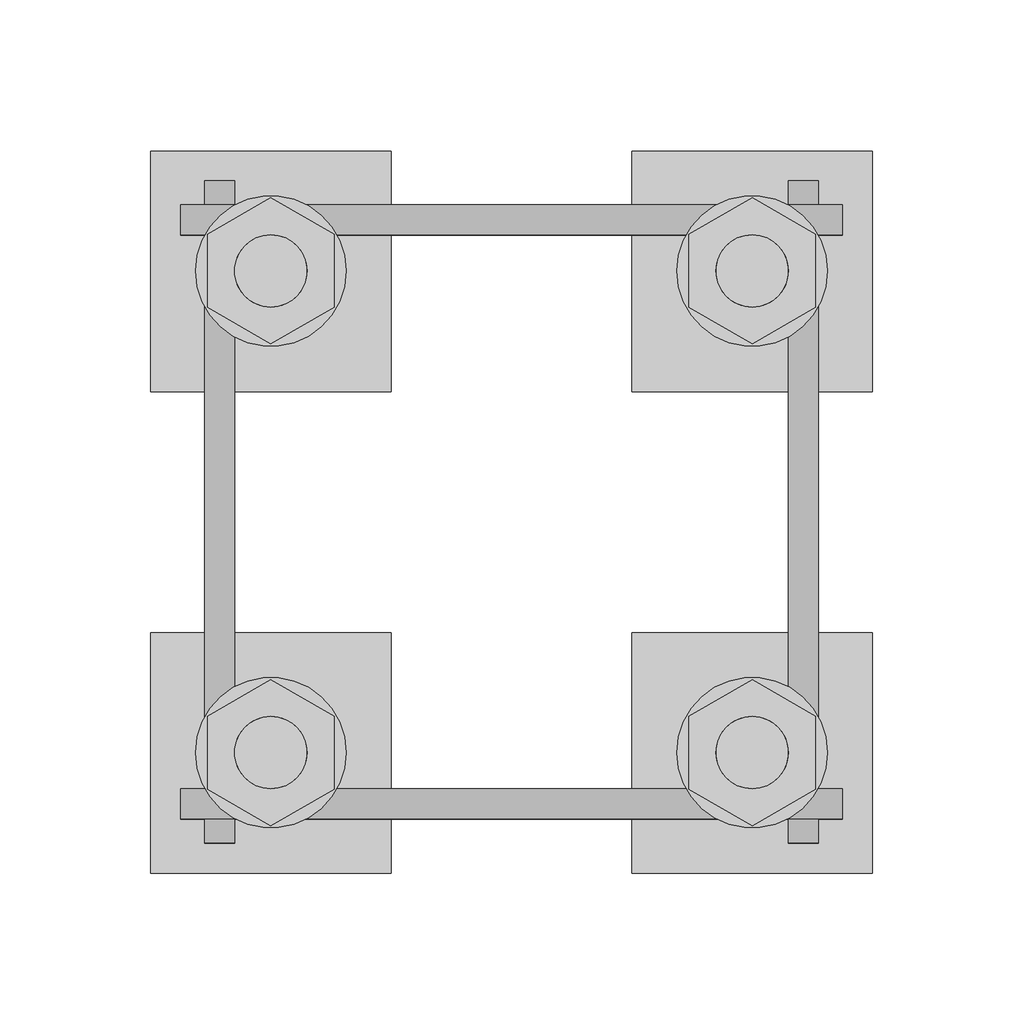
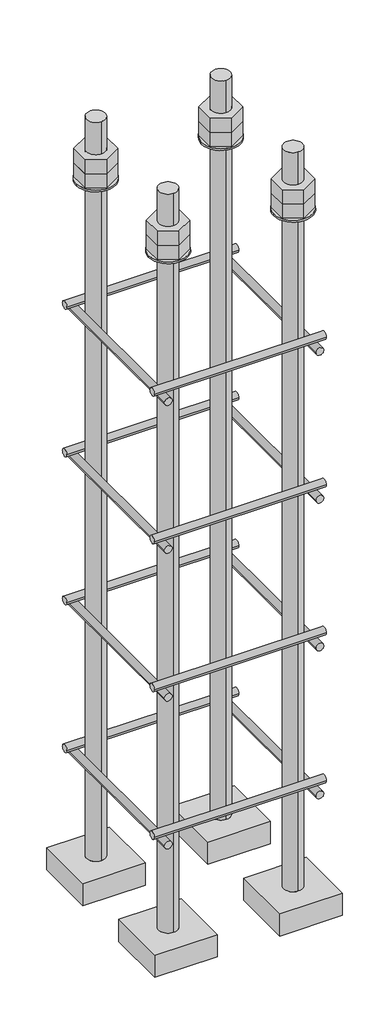
# One storey, part 25 of 66: 1 fastener.
"""IFC4 building model written with IfcOpenShell, lengths in millimetres."""

from ifc_helpers import new_model, si_unit, point, frame, frame_2d, origin, place, context, project, spatial, polyline, circle_curve, trimmed, segment, composite_curve, outline, extrude, element, save
from ifc_brep_helpers import plane_surface, cylinder_surface, advanced_brep

model = new_model("IFC4")

# Units and contexts
model_context = context("Model", 3, world=origin())
ifc_project = project(units=[si_unit("LENGTHUNIT", "METRE", prefix="MILLI")], contexts=[model_context])

# Site, building, storey
site = spatial("IfcSite", under=ifc_project)
building = spatial("IfcBuilding", under=site)
storey = spatial("IfcBuildingStorey", under=building, Elevation=9070.0)

# Fastener
placement = place(None, origin())
element("IfcFastener", 1, ObjectType="AU1 : AU-01", at=placement, inside=storey, context=model_context, shape_type="SolidModel", body=[
    extrude(outline(composite_curve([segment(trimmed(circle_curve(frame_2d((14703.0, 8795.0)), 5.0), [point((14698.0, 8795.0))], [point((14708.0, 8795.0))], False, "CARTESIAN"), True, "CONTINUOUS"), segment(trimmed(circle_curve(frame_2d((14703.0, 8795.0)), 5.0), [point((14708.0, 8795.0))], [point((14698.0, 8795.0))], False, "CARTESIAN"), True, "CONTINUOUS")], self_intersect=False)), frame((56740.0, 0.0, 0.0), z_axis=(1.0, 0.0, 0.0), x_axis=(0.0, 1.0, 0.0)), (0.0, 0.0, 1.0), 220.0),
    extrude(outline(composite_curve([segment(trimmed(circle_curve(frame_2d((14897.0, 8795.0)), 5.0), [point((14902.0, 8795.0))], [point((14892.0, 8795.0))], False, "CARTESIAN"), True, "CONTINUOUS"), segment(trimmed(circle_curve(frame_2d((14897.0, 8795.0)), 5.0), [point((14892.0, 8795.0))], [point((14902.0, 8795.0))], False, "CARTESIAN"), True, "CONTINUOUS")], self_intersect=False)), frame((56740.0, 0.0, 0.0), z_axis=(1.0, 0.0, 0.0), x_axis=(0.0, 1.0, 0.0)), (0.0, 0.0, 1.0), 220.0),
    extrude(outline(composite_curve([segment(trimmed(circle_curve(frame_2d((8785.0, 56753.0)), 5.0), [point((8785.0, 56748.0))], [point((8785.0, 56758.0))], False, "CARTESIAN"), True, "CONTINUOUS"), segment(trimmed(circle_curve(frame_2d((8785.0, 56753.0)), 5.0), [point((8785.0, 56758.0))], [point((8785.0, 56748.0))], False, "CARTESIAN"), True, "CONTINUOUS")], self_intersect=False)), frame((0.0, 14690.0, 0.0), z_axis=(0.0, 1.0, 0.0), x_axis=(0.0, 0.0, 1.0)), (0.0, 0.0, 1.0), 220.0),
    extrude(outline(composite_curve([segment(trimmed(circle_curve(frame_2d((8785.0, 56947.0)), 5.0), [point((8785.0, 56952.0))], [point((8785.0, 56942.0))], False, "CARTESIAN"), True, "CONTINUOUS"), segment(trimmed(circle_curve(frame_2d((8785.0, 56947.0)), 5.0), [point((8785.0, 56942.0))], [point((8785.0, 56952.0))], False, "CARTESIAN"), True, "CONTINUOUS")], self_intersect=False)), frame((0.0, 14690.0, 0.0), z_axis=(0.0, 1.0, 0.0), x_axis=(0.0, 0.0, 1.0)), (0.0, 0.0, 1.0), 220.0),
    extrude(outline(composite_curve([segment(trimmed(circle_curve(frame_2d((14703.0, 8995.0)), 5.0), [point((14698.0, 8995.0))], [point((14708.0, 8995.0))], False, "CARTESIAN"), True, "CONTINUOUS"), segment(trimmed(circle_curve(frame_2d((14703.0, 8995.0)), 5.0), [point((14708.0, 8995.0))], [point((14698.0, 8995.0))], False, "CARTESIAN"), True, "CONTINUOUS")], self_intersect=False)), frame((56740.0, 0.0, 0.0), z_axis=(1.0, 0.0, 0.0), x_axis=(0.0, 1.0, 0.0)), (0.0, 0.0, 1.0), 220.0),
    extrude(outline(composite_curve([segment(trimmed(circle_curve(frame_2d((14897.0, 8995.0)), 5.0), [point((14902.0, 8995.0))], [point((14892.0, 8995.0))], False, "CARTESIAN"), True, "CONTINUOUS"), segment(trimmed(circle_curve(frame_2d((14897.0, 8995.0)), 5.0), [point((14892.0, 8995.0))], [point((14902.0, 8995.0))], False, "CARTESIAN"), True, "CONTINUOUS")], self_intersect=False)), frame((56740.0, 0.0, 0.0), z_axis=(1.0, 0.0, 0.0), x_axis=(0.0, 1.0, 0.0)), (0.0, 0.0, 1.0), 220.0),
    extrude(outline(composite_curve([segment(trimmed(circle_curve(frame_2d((8985.0, 56753.0)), 5.0), [point((8985.0, 56748.0))], [point((8985.0, 56758.0))], False, "CARTESIAN"), True, "CONTINUOUS"), segment(trimmed(circle_curve(frame_2d((8985.0, 56753.0)), 5.0), [point((8985.0, 56758.0))], [point((8985.0, 56748.0))], False, "CARTESIAN"), True, "CONTINUOUS")], self_intersect=False)), frame((0.0, 14690.0, 0.0), z_axis=(0.0, 1.0, 0.0), x_axis=(0.0, 0.0, 1.0)), (0.0, 0.0, 1.0), 220.0),
    extrude(outline(composite_curve([segment(trimmed(circle_curve(frame_2d((8985.0, 56947.0)), 5.0), [point((8985.0, 56952.0))], [point((8985.0, 56942.0))], False, "CARTESIAN"), True, "CONTINUOUS"), segment(trimmed(circle_curve(frame_2d((8985.0, 56947.0)), 5.0), [point((8985.0, 56942.0))], [point((8985.0, 56952.0))], False, "CARTESIAN"), True, "CONTINUOUS")], self_intersect=False)), frame((0.0, 14690.0, 0.0), z_axis=(0.0, 1.0, 0.0), x_axis=(0.0, 0.0, 1.0)), (0.0, 0.0, 1.0), 220.0),
    extrude(outline(composite_curve([segment(trimmed(circle_curve(frame_2d((14703.0, 9195.0)), 5.0), [point((14698.0, 9195.0))], [point((14708.0, 9195.0))], False, "CARTESIAN"), True, "CONTINUOUS"), segment(trimmed(circle_curve(frame_2d((14703.0, 9195.0)), 5.0), [point((14708.0, 9195.0))], [point((14698.0, 9195.0))], False, "CARTESIAN"), True, "CONTINUOUS")], self_intersect=False)), frame((56740.0, 0.0, 0.0), z_axis=(1.0, 0.0, 0.0), x_axis=(0.0, 1.0, 0.0)), (0.0, 0.0, 1.0), 220.0),
    extrude(outline(composite_curve([segment(trimmed(circle_curve(frame_2d((14897.0, 9195.0)), 5.0), [point((14902.0, 9195.0))], [point((14892.0, 9195.0))], False, "CARTESIAN"), True, "CONTINUOUS"), segment(trimmed(circle_curve(frame_2d((14897.0, 9195.0)), 5.0), [point((14892.0, 9195.0))], [point((14902.0, 9195.0))], False, "CARTESIAN"), True, "CONTINUOUS")], self_intersect=False)), frame((56740.0, 0.0, 0.0), z_axis=(1.0, 0.0, 0.0), x_axis=(0.0, 1.0, 0.0)), (0.0, 0.0, 1.0), 220.0),
    extrude(outline(composite_curve([segment(trimmed(circle_curve(frame_2d((9185.0, 56753.0)), 5.0), [point((9185.0, 56748.0))], [point((9185.0, 56758.0))], False, "CARTESIAN"), True, "CONTINUOUS"), segment(trimmed(circle_curve(frame_2d((9185.0, 56753.0)), 5.0), [point((9185.0, 56758.0))], [point((9185.0, 56748.0))], False, "CARTESIAN"), True, "CONTINUOUS")], self_intersect=False)), frame((0.0, 14690.0, 0.0), z_axis=(0.0, 1.0, 0.0), x_axis=(0.0, 0.0, 1.0)), (0.0, 0.0, 1.0), 220.0),
    extrude(outline(composite_curve([segment(trimmed(circle_curve(frame_2d((9185.0, 56947.0)), 5.0), [point((9185.0, 56952.0))], [point((9185.0, 56942.0))], False, "CARTESIAN"), True, "CONTINUOUS"), segment(trimmed(circle_curve(frame_2d((9185.0, 56947.0)), 5.0), [point((9185.0, 56942.0))], [point((9185.0, 56952.0))], False, "CARTESIAN"), True, "CONTINUOUS")], self_intersect=False)), frame((0.0, 14690.0, 0.0), z_axis=(0.0, 1.0, 0.0), x_axis=(0.0, 0.0, 1.0)), (0.0, 0.0, 1.0), 220.0),
    extrude(outline(composite_curve([segment(trimmed(circle_curve(frame_2d((14703.0, 9395.0)), 5.0), [point((14698.0, 9395.0))], [point((14708.0, 9395.0))], False, "CARTESIAN"), True, "CONTINUOUS"), segment(trimmed(circle_curve(frame_2d((14703.0, 9395.0)), 5.0), [point((14708.0, 9395.0))], [point((14698.0, 9395.0))], False, "CARTESIAN"), True, "CONTINUOUS")], self_intersect=False)), frame((56740.0, 0.0, 0.0), z_axis=(1.0, 0.0, 0.0), x_axis=(0.0, 1.0, 0.0)), (0.0, 0.0, 1.0), 220.0),
    extrude(outline(composite_curve([segment(trimmed(circle_curve(frame_2d((14897.0, 9395.0)), 5.0), [point((14902.0, 9395.0))], [point((14892.0, 9395.0))], False, "CARTESIAN"), True, "CONTINUOUS"), segment(trimmed(circle_curve(frame_2d((14897.0, 9395.0)), 5.0), [point((14892.0, 9395.0))], [point((14902.0, 9395.0))], False, "CARTESIAN"), True, "CONTINUOUS")], self_intersect=False)), frame((56740.0, 0.0, 0.0), z_axis=(1.0, 0.0, 0.0), x_axis=(0.0, 1.0, 0.0)), (0.0, 0.0, 1.0), 220.0),
    extrude(outline(composite_curve([segment(trimmed(circle_curve(frame_2d((9385.0, 56753.0)), 5.0), [point((9385.0, 56748.0))], [point((9385.0, 56758.0))], False, "CARTESIAN"), True, "CONTINUOUS"), segment(trimmed(circle_curve(frame_2d((9385.0, 56753.0)), 5.0), [point((9385.0, 56758.0))], [point((9385.0, 56748.0))], False, "CARTESIAN"), True, "CONTINUOUS")], self_intersect=False)), frame((0.0, 14690.0, 0.0), z_axis=(0.0, 1.0, 0.0), x_axis=(0.0, 0.0, 1.0)), (0.0, 0.0, 1.0), 220.0),
    extrude(outline(composite_curve([segment(trimmed(circle_curve(frame_2d((9385.0, 56947.0)), 5.0), [point((9385.0, 56952.0))], [point((9385.0, 56942.0))], False, "CARTESIAN"), True, "CONTINUOUS"), segment(trimmed(circle_curve(frame_2d((9385.0, 56947.0)), 5.0), [point((9385.0, 56942.0))], [point((9385.0, 56952.0))], False, "CARTESIAN"), True, "CONTINUOUS")], self_intersect=False)), frame((0.0, 14690.0, 0.0), z_axis=(0.0, 1.0, 0.0), x_axis=(0.0, 0.0, 1.0)), (0.0, 0.0, 1.0), 220.0),
    advanced_brep(
    [(56810.0, 14920.0, 8650.0), (56730.0, 14920.0, 8650.0), (56730.0, 14840.0, 8650.0), (56810.0, 14840.0, 8650.0), (56770.0, 14868.0, 8650.0), (56770.0, 14892.0, 8650.0), (56810.0, 14920.0, 8620.0), (56810.0, 14840.0, 8620.0), (56730.0, 14840.0, 8620.0), (56730.0, 14920.0, 8620.0), (56770.0, 14892.0, 9650.0), (56770.0, 14868.0, 9650.0)],
    [
        (0, 1),
        (1, 2),
        (2, 3),
        (3, 0),
        (4, 5, circle_curve(frame((56770.0, 14880.0, 8650.0), z_axis=(0.0, 0.0, -1.0), x_axis=(0.0, -1.0, 0.0)), 12.0)),
        (5, 4, circle_curve(frame((56770.0, 14880.0, 8650.0), z_axis=(0.0, 0.0, -1.0), x_axis=(0.0, -1.0, 0.0)), 12.0)),
        (6, 7),
        (7, 8),
        (8, 9),
        (9, 6),
        (0, 6),
        (9, 1),
        (8, 2),
        (7, 3),
        (10, 11, circle_curve(frame((56770.0, 14880.0, 9650.0), z_axis=(0.0, 0.0, 1.0), x_axis=(0.0, -1.0, 0.0)), 12.0)),
        (11, 10, circle_curve(frame((56770.0, 14880.0, 9650.0), z_axis=(0.0, 0.0, 1.0), x_axis=(0.0, -1.0, 0.0)), 12.0)),
        (10, 5),
        (4, 11),
    ],
    [
        plane_surface(frame((56730.0, 14920.0, 8650.0), z_axis=(0.0, 0.0, 1.0), x_axis=(-1.0, 0.0, 0.0))),
        plane_surface(frame((56730.0, 14920.0, 8620.0), z_axis=(0.0, 0.0, -1.0), x_axis=(1.0, 0.0, 0.0))),
        plane_surface(frame((56810.0, 14920.0, 8650.0), z_axis=(0.0, 1.0, 0.0), x_axis=(0.0, 0.0, -1.0))),
        plane_surface(frame((56730.0, 14920.0, 8650.0), z_axis=(-1.0, 0.0, 0.0), x_axis=(0.0, 0.0, -1.0))),
        plane_surface(frame((56730.0, 14840.0, 8650.0), z_axis=(0.0, -1.0, 0.0), x_axis=(0.0, 0.0, -1.0))),
        plane_surface(frame((56810.0, 14840.0, 8650.0), z_axis=(1.0, 0.0, 0.0), x_axis=(0.0, 0.0, -1.0))),
        plane_surface(frame((56770.0, 14880.0, 9650.0), z_axis=(0.0, 0.0, 1.0), x_axis=(0.0, -1.0, 0.0))),
        cylinder_surface(frame((56770.0, 14880.0, 9650.0), z_axis=(0.0, 0.0, 1.0), x_axis=(0.0, -1.0, 0.0)), 12.0),
    ],
    [
        (0, [[1, 2, 3, 4], [5, 6]]),
        (1, [[7, 8, 9, 10]]),
        (2, [[-1, 11, -10, 12]]),
        (3, [[-2, -12, -9, 13]]),
        (4, [[-3, -13, -8, 14]]),
        (5, [[-4, -14, -7, -11]]),
        (6, [[15, 16]]),
        (7, [[-15, 17, -5, 18]]),
        (7, [[-16, -18, -6, -17]]),
    ],
),
    extrude(outline(composite_curve([segment(trimmed(circle_curve(frame_2d((56770.0, 14880.0)), 25.0), [point((56795.0, 14880.0))], [point((56745.0, 14880.0))], False, "CARTESIAN"), True, "CONTINUOUS"), segment(trimmed(circle_curve(frame_2d((56770.0, 14880.0)), 25.0), [point((56745.0, 14880.0))], [point((56795.0, 14880.0))], False, "CARTESIAN"), True, "CONTINUOUS")], self_intersect=False), holes=[composite_curve([segment(trimmed(circle_curve(frame_2d((56770.0, 14880.0)), 12.0), [point((56782.0, 14880.0))], [point((56758.0, 14880.0))], True, "CARTESIAN"), True, "CONTINUOUS"), segment(trimmed(circle_curve(frame_2d((56770.0, 14880.0)), 12.0), [point((56758.0, 14880.0))], [point((56782.0, 14880.0))], True, "CARTESIAN"), True, "CONTINUOUS")], self_intersect=False)]), frame((0.0, 0.0, 9565.0), z_axis=(0.0, 0.0, 1.0), x_axis=(1.0, 0.0, 0.0)), (0.0, 0.0, 1.0), 2.5),
    extrude(outline(polyline([(56770.0, 14904.2487113), (56791.0, 14892.1243557), (56791.0, 14867.8756443), (56770.0, 14855.7512887), (56749.0, 14867.8756443), (56749.0, 14892.1243557), (56770.0, 14904.2487113)]), holes=[composite_curve([segment(trimmed(circle_curve(frame_2d((56770.0, 14880.0)), 12.0), [point((56782.0, 14880.0))], [point((56758.0, 14880.0))], True, "CARTESIAN"), True, "CONTINUOUS"), segment(trimmed(circle_curve(frame_2d((56770.0, 14880.0)), 12.0), [point((56758.0, 14880.0))], [point((56782.0, 14880.0))], True, "CARTESIAN"), True, "CONTINUOUS")], self_intersect=False)]), frame((0.0, 0.0, 9587.0), z_axis=(0.0, 0.0, 1.0), x_axis=(1.0, 0.0, 0.0)), (0.0, 0.0, 1.0), 19.5),
    extrude(outline(polyline([(56770.0, 14904.2487113), (56791.0, 14892.1243557), (56791.0, 14867.8756443), (56770.0, 14855.7512887), (56749.0, 14867.8756443), (56749.0, 14892.1243557), (56770.0, 14904.2487113)]), holes=[composite_curve([segment(trimmed(circle_curve(frame_2d((56770.0, 14880.0)), 12.0), [point((56782.0, 14880.0))], [point((56758.0, 14880.0))], True, "CARTESIAN"), True, "CONTINUOUS"), segment(trimmed(circle_curve(frame_2d((56770.0, 14880.0)), 12.0), [point((56758.0, 14880.0))], [point((56782.0, 14880.0))], True, "CARTESIAN"), True, "CONTINUOUS")], self_intersect=False)]), frame((0.0, 0.0, 9567.5), z_axis=(0.0, 0.0, 1.0), x_axis=(1.0, 0.0, 0.0)), (0.0, 0.0, 1.0), 19.5),
    advanced_brep(
    [(56890.0, 14840.0, 8650.0), (56970.0, 14840.0, 8650.0), (56970.0, 14920.0, 8650.0), (56890.0, 14920.0, 8650.0), (56930.0, 14892.0, 8650.0), (56930.0, 14868.0, 8650.0), (56890.0, 14840.0, 8620.0), (56890.0, 14920.0, 8620.0), (56970.0, 14920.0, 8620.0), (56970.0, 14840.0, 8620.0), (56930.0, 14868.0, 9650.0), (56930.0, 14892.0, 9650.0)],
    [
        (0, 1),
        (1, 2),
        (2, 3),
        (3, 0),
        (4, 5, circle_curve(frame((56930.0, 14880.0, 8650.0), z_axis=(0.0, 0.0, -1.0), x_axis=(0.0, 1.0, 0.0)), 12.0)),
        (5, 4, circle_curve(frame((56930.0, 14880.0, 8650.0), z_axis=(0.0, 0.0, -1.0), x_axis=(0.0, 1.0, 0.0)), 12.0)),
        (6, 7),
        (7, 8),
        (8, 9),
        (9, 6),
        (0, 6),
        (9, 1),
        (8, 2),
        (7, 3),
        (10, 11, circle_curve(frame((56930.0, 14880.0, 9650.0), z_axis=(0.0, 0.0, 1.0), x_axis=(0.0, 1.0, 0.0)), 12.0)),
        (11, 10, circle_curve(frame((56930.0, 14880.0, 9650.0), z_axis=(0.0, 0.0, 1.0), x_axis=(0.0, 1.0, 0.0)), 12.0)),
        (10, 5),
        (4, 11),
    ],
    [
        plane_surface(frame((56970.0, 14840.0, 8650.0), z_axis=(0.0, 0.0, 1.0), x_axis=(1.0, 0.0, 0.0))),
        plane_surface(frame((56970.0, 14840.0, 8620.0), z_axis=(0.0, 0.0, -1.0), x_axis=(-1.0, 0.0, 0.0))),
        plane_surface(frame((56890.0, 14840.0, 8650.0), z_axis=(0.0, -1.0, 0.0), x_axis=(0.0, 0.0, -1.0))),
        plane_surface(frame((56970.0, 14840.0, 8650.0), z_axis=(1.0, 0.0, 0.0), x_axis=(0.0, 0.0, -1.0))),
        plane_surface(frame((56970.0, 14920.0, 8650.0), z_axis=(0.0, 1.0, 0.0), x_axis=(0.0, 0.0, -1.0))),
        plane_surface(frame((56890.0, 14920.0, 8650.0), z_axis=(-1.0, 0.0, 0.0), x_axis=(0.0, 0.0, -1.0))),
        plane_surface(frame((56930.0, 14880.0, 9650.0), z_axis=(0.0, 0.0, 1.0), x_axis=(0.0, 1.0, 0.0))),
        cylinder_surface(frame((56930.0, 14880.0, 9650.0), z_axis=(0.0, 0.0, 1.0), x_axis=(0.0, 1.0, 0.0)), 12.0),
    ],
    [
        (0, [[1, 2, 3, 4], [5, 6]]),
        (1, [[7, 8, 9, 10]]),
        (2, [[-1, 11, -10, 12]]),
        (3, [[-2, -12, -9, 13]]),
        (4, [[-3, -13, -8, 14]]),
        (5, [[-4, -14, -7, -11]]),
        (6, [[15, 16]]),
        (7, [[-15, 17, -5, 18]]),
        (7, [[-16, -18, -6, -17]]),
    ],
),
    extrude(outline(composite_curve([segment(trimmed(circle_curve(frame_2d((56930.0, 14880.0)), 25.0), [point((56905.0, 14880.0))], [point((56955.0, 14880.0))], False, "CARTESIAN"), True, "CONTINUOUS"), segment(trimmed(circle_curve(frame_2d((56930.0, 14880.0)), 25.0), [point((56955.0, 14880.0))], [point((56905.0, 14880.0))], False, "CARTESIAN"), True, "CONTINUOUS")], self_intersect=False), holes=[composite_curve([segment(trimmed(circle_curve(frame_2d((56930.0, 14880.0)), 12.0), [point((56918.0, 14880.0))], [point((56942.0, 14880.0))], True, "CARTESIAN"), True, "CONTINUOUS"), segment(trimmed(circle_curve(frame_2d((56930.0, 14880.0)), 12.0), [point((56942.0, 14880.0))], [point((56918.0, 14880.0))], True, "CARTESIAN"), True, "CONTINUOUS")], self_intersect=False)]), frame((0.0, 0.0, 9565.0), z_axis=(0.0, 0.0, 1.0), x_axis=(1.0, 0.0, 0.0)), (0.0, 0.0, 1.0), 2.5),
    extrude(outline(polyline([(56930.0, 14855.7512887), (56909.0, 14867.8756443), (56909.0, 14892.1243557), (56930.0, 14904.2487113), (56951.0, 14892.1243557), (56951.0, 14867.8756443), (56930.0, 14855.7512887)]), holes=[composite_curve([segment(trimmed(circle_curve(frame_2d((56930.0, 14880.0)), 12.0), [point((56918.0, 14880.0))], [point((56942.0, 14880.0))], True, "CARTESIAN"), True, "CONTINUOUS"), segment(trimmed(circle_curve(frame_2d((56930.0, 14880.0)), 12.0), [point((56942.0, 14880.0))], [point((56918.0, 14880.0))], True, "CARTESIAN"), True, "CONTINUOUS")], self_intersect=False)]), frame((0.0, 0.0, 9587.0), z_axis=(0.0, 0.0, 1.0), x_axis=(1.0, 0.0, 0.0)), (0.0, 0.0, 1.0), 19.5),
    extrude(outline(polyline([(56930.0, 14855.7512887), (56909.0, 14867.8756443), (56909.0, 14892.1243557), (56930.0, 14904.2487113), (56951.0, 14892.1243557), (56951.0, 14867.8756443), (56930.0, 14855.7512887)]), holes=[composite_curve([segment(trimmed(circle_curve(frame_2d((56930.0, 14880.0)), 12.0), [point((56918.0, 14880.0))], [point((56942.0, 14880.0))], True, "CARTESIAN"), True, "CONTINUOUS"), segment(trimmed(circle_curve(frame_2d((56930.0, 14880.0)), 12.0), [point((56942.0, 14880.0))], [point((56918.0, 14880.0))], True, "CARTESIAN"), True, "CONTINUOUS")], self_intersect=False)]), frame((0.0, 0.0, 9567.5), z_axis=(0.0, 0.0, 1.0), x_axis=(1.0, 0.0, 0.0)), (0.0, 0.0, 1.0), 19.5),
    advanced_brep(
    [(56890.0, 14680.0, 8650.0), (56970.0, 14680.0, 8650.0), (56970.0, 14760.0, 8650.0), (56890.0, 14760.0, 8650.0), (56930.0, 14732.0, 8650.0), (56930.0, 14708.0, 8650.0), (56890.0, 14680.0, 8620.0), (56890.0, 14760.0, 8620.0), (56970.0, 14760.0, 8620.0), (56970.0, 14680.0, 8620.0), (56930.0, 14708.0, 9650.0), (56930.0, 14732.0, 9650.0)],
    [
        (0, 1),
        (1, 2),
        (2, 3),
        (3, 0),
        (4, 5, circle_curve(frame((56930.0, 14720.0, 8650.0), z_axis=(0.0, 0.0, -1.0), x_axis=(0.0, 1.0, 0.0)), 12.0)),
        (5, 4, circle_curve(frame((56930.0, 14720.0, 8650.0), z_axis=(0.0, 0.0, -1.0), x_axis=(0.0, 1.0, 0.0)), 12.0)),
        (6, 7),
        (7, 8),
        (8, 9),
        (9, 6),
        (0, 6),
        (9, 1),
        (8, 2),
        (7, 3),
        (10, 11, circle_curve(frame((56930.0, 14720.0, 9650.0), z_axis=(0.0, 0.0, 1.0), x_axis=(0.0, 1.0, 0.0)), 12.0)),
        (11, 10, circle_curve(frame((56930.0, 14720.0, 9650.0), z_axis=(0.0, 0.0, 1.0), x_axis=(0.0, 1.0, 0.0)), 12.0)),
        (10, 5),
        (4, 11),
    ],
    [
        plane_surface(frame((56970.0, 14680.0, 8650.0), z_axis=(0.0, 0.0, 1.0), x_axis=(1.0, 0.0, 0.0))),
        plane_surface(frame((56970.0, 14680.0, 8620.0), z_axis=(0.0, 0.0, -1.0), x_axis=(-1.0, 0.0, 0.0))),
        plane_surface(frame((56890.0, 14680.0, 8650.0), z_axis=(0.0, -1.0, 0.0), x_axis=(0.0, 0.0, -1.0))),
        plane_surface(frame((56970.0, 14680.0, 8650.0), z_axis=(1.0, 0.0, 0.0), x_axis=(0.0, 0.0, -1.0))),
        plane_surface(frame((56970.0, 14760.0, 8650.0), z_axis=(0.0, 1.0, 0.0), x_axis=(0.0, 0.0, -1.0))),
        plane_surface(frame((56890.0, 14760.0, 8650.0), z_axis=(-1.0, 0.0, 0.0), x_axis=(0.0, 0.0, -1.0))),
        plane_surface(frame((56930.0, 14720.0, 9650.0), z_axis=(0.0, 0.0, 1.0), x_axis=(0.0, 1.0, 0.0))),
        cylinder_surface(frame((56930.0, 14720.0, 9650.0), z_axis=(0.0, 0.0, 1.0), x_axis=(0.0, 1.0, 0.0)), 12.0),
    ],
    [
        (0, [[1, 2, 3, 4], [5, 6]]),
        (1, [[7, 8, 9, 10]]),
        (2, [[-1, 11, -10, 12]]),
        (3, [[-2, -12, -9, 13]]),
        (4, [[-3, -13, -8, 14]]),
        (5, [[-4, -14, -7, -11]]),
        (6, [[15, 16]]),
        (7, [[-15, 17, -5, 18]]),
        (7, [[-16, -18, -6, -17]]),
    ],
),
    extrude(outline(composite_curve([segment(trimmed(circle_curve(frame_2d((56930.0, 14720.0)), 25.0), [point((56905.0, 14720.0))], [point((56955.0, 14720.0))], False, "CARTESIAN"), True, "CONTINUOUS"), segment(trimmed(circle_curve(frame_2d((56930.0, 14720.0)), 25.0), [point((56955.0, 14720.0))], [point((56905.0, 14720.0))], False, "CARTESIAN"), True, "CONTINUOUS")], self_intersect=False), holes=[composite_curve([segment(trimmed(circle_curve(frame_2d((56930.0, 14720.0)), 12.0), [point((56918.0, 14720.0))], [point((56942.0, 14720.0))], True, "CARTESIAN"), True, "CONTINUOUS"), segment(trimmed(circle_curve(frame_2d((56930.0, 14720.0)), 12.0), [point((56942.0, 14720.0))], [point((56918.0, 14720.0))], True, "CARTESIAN"), True, "CONTINUOUS")], self_intersect=False)]), frame((0.0, 0.0, 9565.0), z_axis=(0.0, 0.0, 1.0), x_axis=(1.0, 0.0, 0.0)), (0.0, 0.0, 1.0), 2.5),
    extrude(outline(polyline([(56930.0, 14695.7512887), (56909.0, 14707.8756443), (56909.0, 14732.1243557), (56930.0, 14744.2487113), (56951.0, 14732.1243557), (56951.0, 14707.8756443), (56930.0, 14695.7512887)]), holes=[composite_curve([segment(trimmed(circle_curve(frame_2d((56930.0, 14720.0)), 12.0), [point((56918.0, 14720.0))], [point((56942.0, 14720.0))], True, "CARTESIAN"), True, "CONTINUOUS"), segment(trimmed(circle_curve(frame_2d((56930.0, 14720.0)), 12.0), [point((56942.0, 14720.0))], [point((56918.0, 14720.0))], True, "CARTESIAN"), True, "CONTINUOUS")], self_intersect=False)]), frame((0.0, 0.0, 9587.0), z_axis=(0.0, 0.0, 1.0), x_axis=(1.0, 0.0, 0.0)), (0.0, 0.0, 1.0), 19.5),
    extrude(outline(polyline([(56930.0, 14695.7512887), (56909.0, 14707.8756443), (56909.0, 14732.1243557), (56930.0, 14744.2487113), (56951.0, 14732.1243557), (56951.0, 14707.8756443), (56930.0, 14695.7512887)]), holes=[composite_curve([segment(trimmed(circle_curve(frame_2d((56930.0, 14720.0)), 12.0), [point((56918.0, 14720.0))], [point((56942.0, 14720.0))], True, "CARTESIAN"), True, "CONTINUOUS"), segment(trimmed(circle_curve(frame_2d((56930.0, 14720.0)), 12.0), [point((56942.0, 14720.0))], [point((56918.0, 14720.0))], True, "CARTESIAN"), True, "CONTINUOUS")], self_intersect=False)]), frame((0.0, 0.0, 9567.5), z_axis=(0.0, 0.0, 1.0), x_axis=(1.0, 0.0, 0.0)), (0.0, 0.0, 1.0), 19.5),
    advanced_brep(
    [(56810.0, 14760.0, 8650.0), (56730.0, 14760.0, 8650.0), (56730.0, 14680.0, 8650.0), (56810.0, 14680.0, 8650.0), (56770.0, 14708.0, 8650.0), (56770.0, 14732.0, 8650.0), (56810.0, 14760.0, 8620.0), (56810.0, 14680.0, 8620.0), (56730.0, 14680.0, 8620.0), (56730.0, 14760.0, 8620.0), (56770.0, 14732.0, 9650.0), (56770.0, 14708.0, 9650.0)],
    [
        (0, 1),
        (1, 2),
        (2, 3),
        (3, 0),
        (4, 5, circle_curve(frame((56770.0, 14720.0, 8650.0), z_axis=(0.0, 0.0, -1.0), x_axis=(0.0, -1.0, 0.0)), 12.0)),
        (5, 4, circle_curve(frame((56770.0, 14720.0, 8650.0), z_axis=(0.0, 0.0, -1.0), x_axis=(0.0, -1.0, 0.0)), 12.0)),
        (6, 7),
        (7, 8),
        (8, 9),
        (9, 6),
        (0, 6),
        (9, 1),
        (8, 2),
        (7, 3),
        (10, 11, circle_curve(frame((56770.0, 14720.0, 9650.0), z_axis=(0.0, 0.0, 1.0), x_axis=(0.0, -1.0, 0.0)), 12.0)),
        (11, 10, circle_curve(frame((56770.0, 14720.0, 9650.0), z_axis=(0.0, 0.0, 1.0), x_axis=(0.0, -1.0, 0.0)), 12.0)),
        (10, 5),
        (4, 11),
    ],
    [
        plane_surface(frame((56730.0, 14760.0, 8650.0), z_axis=(0.0, 0.0, 1.0), x_axis=(-1.0, 0.0, 0.0))),
        plane_surface(frame((56730.0, 14760.0, 8620.0), z_axis=(0.0, 0.0, -1.0), x_axis=(1.0, 0.0, 0.0))),
        plane_surface(frame((56810.0, 14760.0, 8650.0), z_axis=(0.0, 1.0, 0.0), x_axis=(0.0, 0.0, -1.0))),
        plane_surface(frame((56730.0, 14760.0, 8650.0), z_axis=(-1.0, 0.0, 0.0), x_axis=(0.0, 0.0, -1.0))),
        plane_surface(frame((56730.0, 14680.0, 8650.0), z_axis=(0.0, -1.0, 0.0), x_axis=(0.0, 0.0, -1.0))),
        plane_surface(frame((56810.0, 14680.0, 8650.0), z_axis=(1.0, 0.0, 0.0), x_axis=(0.0, 0.0, -1.0))),
        plane_surface(frame((56770.0, 14720.0, 9650.0), z_axis=(0.0, 0.0, 1.0), x_axis=(0.0, -1.0, 0.0))),
        cylinder_surface(frame((56770.0, 14720.0, 9650.0), z_axis=(0.0, 0.0, 1.0), x_axis=(0.0, -1.0, 0.0)), 12.0),
    ],
    [
        (0, [[1, 2, 3, 4], [5, 6]]),
        (1, [[7, 8, 9, 10]]),
        (2, [[-1, 11, -10, 12]]),
        (3, [[-2, -12, -9, 13]]),
        (4, [[-3, -13, -8, 14]]),
        (5, [[-4, -14, -7, -11]]),
        (6, [[15, 16]]),
        (7, [[-15, 17, -5, 18]]),
        (7, [[-16, -18, -6, -17]]),
    ],
),
    extrude(outline(composite_curve([segment(trimmed(circle_curve(frame_2d((56770.0, 14720.0)), 25.0), [point((56795.0, 14720.0))], [point((56745.0, 14720.0))], False, "CARTESIAN"), True, "CONTINUOUS"), segment(trimmed(circle_curve(frame_2d((56770.0, 14720.0)), 25.0), [point((56745.0, 14720.0))], [point((56795.0, 14720.0))], False, "CARTESIAN"), True, "CONTINUOUS")], self_intersect=False), holes=[composite_curve([segment(trimmed(circle_curve(frame_2d((56770.0, 14720.0)), 12.0), [point((56782.0, 14720.0))], [point((56758.0, 14720.0))], True, "CARTESIAN"), True, "CONTINUOUS"), segment(trimmed(circle_curve(frame_2d((56770.0, 14720.0)), 12.0), [point((56758.0, 14720.0))], [point((56782.0, 14720.0))], True, "CARTESIAN"), True, "CONTINUOUS")], self_intersect=False)]), frame((0.0, 0.0, 9565.0), z_axis=(0.0, 0.0, 1.0), x_axis=(1.0, 0.0, 0.0)), (0.0, 0.0, 1.0), 2.5),
    extrude(outline(polyline([(56770.0, 14744.2487113), (56791.0, 14732.1243557), (56791.0, 14707.8756443), (56770.0, 14695.7512887), (56749.0, 14707.8756443), (56749.0, 14732.1243557), (56770.0, 14744.2487113)]), holes=[composite_curve([segment(trimmed(circle_curve(frame_2d((56770.0, 14720.0)), 12.0), [point((56782.0, 14720.0))], [point((56758.0, 14720.0))], True, "CARTESIAN"), True, "CONTINUOUS"), segment(trimmed(circle_curve(frame_2d((56770.0, 14720.0)), 12.0), [point((56758.0, 14720.0))], [point((56782.0, 14720.0))], True, "CARTESIAN"), True, "CONTINUOUS")], self_intersect=False)]), frame((0.0, 0.0, 9587.0), z_axis=(0.0, 0.0, 1.0), x_axis=(1.0, 0.0, 0.0)), (0.0, 0.0, 1.0), 19.5),
    extrude(outline(polyline([(56770.0, 14744.2487113), (56791.0, 14732.1243557), (56791.0, 14707.8756443), (56770.0, 14695.7512887), (56749.0, 14707.8756443), (56749.0, 14732.1243557), (56770.0, 14744.2487113)]), holes=[composite_curve([segment(trimmed(circle_curve(frame_2d((56770.0, 14720.0)), 12.0), [point((56782.0, 14720.0))], [point((56758.0, 14720.0))], True, "CARTESIAN"), True, "CONTINUOUS"), segment(trimmed(circle_curve(frame_2d((56770.0, 14720.0)), 12.0), [point((56758.0, 14720.0))], [point((56782.0, 14720.0))], True, "CARTESIAN"), True, "CONTINUOUS")], self_intersect=False)]), frame((0.0, 0.0, 9567.5), z_axis=(0.0, 0.0, 1.0), x_axis=(1.0, 0.0, 0.0)), (0.0, 0.0, 1.0), 19.5),
])

save(model, "model.ifc")
